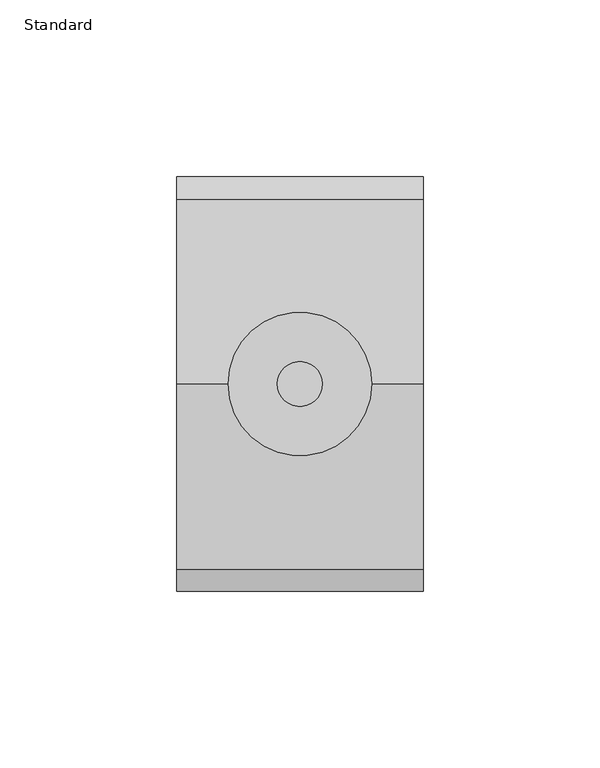
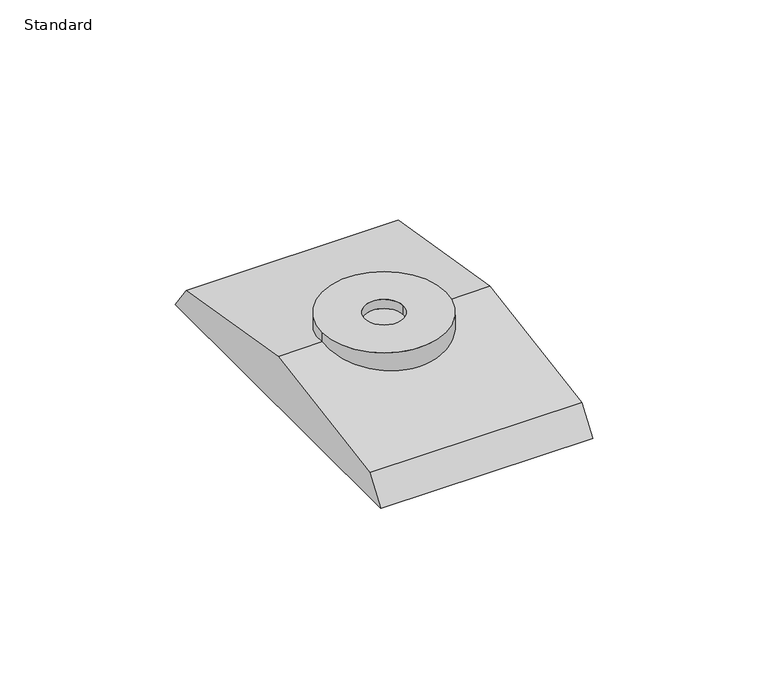
"""IFC4 building model written with IfcOpenShell, lengths in millimetres: alarm geometry, Standard."""

import ifcopenshell
import ifcopenshell.guid

model = None  # the IFC model being written
_history = None  # IfcOwnerHistory: only IFC2X3 demands one
_inside = {}  # id of a spatial element -> (the spatial element, [elements in it])
_under = {}  # id of a project, library or spatial element -> (it, [spatial elements below it])
_declared = {}  # id of a project -> (the project, [libraries it declares])
_typed = {}  # id of a type object -> (the type object, [elements of that type])
_made_of = {}  # id of a material, layer set ... -> (it, [elements and type objects made of it])


def new_model(schema):
    """Start an empty IFC model of exactly this schema.

    Asked for "IFC4X3", IfcOpenShell would pick the latest addendum, in which some entities
    have other attributes; the version numbers below select the first issue.
    IFC2X3 requires an IfcOwnerHistory on every rooted entity: one is made here for all.
    """
    global model, _history
    if schema == "IFC4X3":
        model = ifcopenshell.file(schema_version=(4, 3, 0, 0))
    else:
        model = ifcopenshell.file(schema=schema)
    _inside.clear()
    _under.clear()
    _declared.clear()
    _typed.clear()
    _made_of.clear()
    _history = None
    if model.schema == "IFC2X3":
        org = make("IfcOrganization", Name="unknown")
        user = make(
            "IfcPersonAndOrganization",
            ThePerson=make("IfcPerson", FamilyName="unknown"),
            TheOrganization=org,
        )
        app = make(
            "IfcApplication",
            ApplicationDeveloper=org,
            Version="unknown",
            ApplicationFullName="unknown",
            ApplicationIdentifier="unknown",
        )
        _history = make(
            "IfcOwnerHistory",
            OwningUser=user,
            OwningApplication=app,
            ChangeAction="ADDED",
            CreationDate=0,
        )
    return model


def make(cls, **values):
    """One entity of the class cls with the attributes given. An attribute that is None is left unset."""
    return model.create_entity(
        cls, **{name: value for name, value in values.items() if value is not None}
    )


def rooted(cls, **values):
    """An entity with a GlobalId (a new one), such as an element, a storey or a relation."""
    return make(cls, GlobalId=ifcopenshell.guid.new(), OwnerHistory=_history, **values)


def si_unit(unit_type, name, prefix=None):
    """IfcSIUnit, for example si_unit("LENGTHUNIT", "METRE", prefix="MILLI")."""
    return make("IfcSIUnit", UnitType=unit_type, Prefix=prefix, Name=name)


def assignment(units):
    """IfcUnitAssignment: the units of a project."""
    return None if units is None else make("IfcUnitAssignment", Units=units)


def point(xyz):
    """IfcCartesianPoint."""
    return None if xyz is None else make("IfcCartesianPoint", Coordinates=xyz)


def direction(xyz):
    """IfcDirection."""
    return None if xyz is None else make("IfcDirection", DirectionRatios=xyz)


def frame(location, z_axis=None, x_axis=None):
    """IfcAxis2Placement3D, a coordinate frame: its origin and axes. An axis left out is left unset."""
    return make(
        "IfcAxis2Placement3D",
        Location=point(location),
        Axis=direction(z_axis),
        RefDirection=direction(x_axis),
    )


def origin():
    """The frame at (0, 0, 0) with its axes left unset."""
    return frame((0.0, 0.0, 0.0))


def place(relative_to, where):
    """IfcLocalPlacement: puts the frame where relative to a parent placement (None: the world)."""
    return make(
        "IfcLocalPlacement", PlacementRelTo=relative_to, RelativePlacement=where
    )


def context(
    kind, dimensions, precision=None, world=None, true_north=None, identifier=None
):
    """IfcGeometricRepresentationContext, for example the 3D "Model" context."""
    return make(
        "IfcGeometricRepresentationContext",
        ContextIdentifier=identifier,
        ContextType=kind,
        CoordinateSpaceDimension=dimensions,
        Precision=precision,
        WorldCoordinateSystem=world,
        TrueNorth=true_north,
    )


def project(units=None, contexts=None):
    """IfcProject with its units and contexts."""
    return rooted(
        "IfcProject",
        Name="project",
        RepresentationContexts=contexts,
        UnitsInContext=assignment(units),
    )


def spatial(cls, under=None, at=None, **own):
    """A site, building, storey or space (cls), placed at a placement, below another one or the project."""
    s = rooted(cls, ObjectPlacement=at, **own)
    if under is not None:
        _under.setdefault(under.id(), (under, []))[1].append(s)
    return s


def polyline(points):
    """IfcPolyline through the points."""
    return make("IfcPolyline", Points=[point(p) for p in points])


def circle_curve(where, radius):
    """IfcCircle in the frame where."""
    return make("IfcCircle", Position=where, Radius=radius)


def ellipse_curve(where, semi_axis1, semi_axis2):
    """IfcEllipse in the frame where."""
    return make(
        "IfcEllipse", Position=where, SemiAxis1=semi_axis1, SemiAxis2=semi_axis2
    )


def shape(context_of_items, identifier, shape_type, items):
    """IfcShapeRepresentation: the items that make up one representation, for example the "Body"."""
    return make(
        "IfcShapeRepresentation",
        ContextOfItems=context_of_items,
        RepresentationIdentifier=identifier,
        RepresentationType=shape_type,
        Items=items,
    )


def source(mapping_origin, context_of_items, identifier, shape_type, items):
    """IfcRepresentationMap: a shape defined once, which mapped items show again and again."""
    return make(
        "IfcRepresentationMap",
        MappingOrigin=mapping_origin,
        MappedRepresentation=shape(context_of_items, identifier, shape_type, items),
    )


def transform(
    local_origin,
    x_axis=None,
    y_axis=None,
    z_axis=None,
    scale=None,
    scale2=None,
    scale3=None,
    uniform=True,
):
    """IfcCartesianTransformationOperator3D, or its non-uniform kind. x_axis, y_axis, z_axis: its Axis1, 2, 3."""
    if uniform:
        return make(
            "IfcCartesianTransformationOperator3D",
            Axis1=direction(x_axis),
            Axis2=direction(y_axis),
            LocalOrigin=point(local_origin),
            Scale=scale,
            Axis3=direction(z_axis),
        )
    return make(
        "IfcCartesianTransformationOperator3DnonUniform",
        Axis1=direction(x_axis),
        Axis2=direction(y_axis),
        LocalOrigin=point(local_origin),
        Scale=scale,
        Axis3=direction(z_axis),
        Scale2=scale2,
        Scale3=scale3,
    )


def mapped(mapping_source, mapping_target):
    """IfcMappedItem: shows the shape of a source again, moved by a transform."""
    return make(
        "IfcMappedItem", MappingSource=mapping_source, MappingTarget=mapping_target
    )


def made_of(thing, what):
    """Note that an element or type object is made of a material, layer set ...; save() writes the relation."""
    if what is not None:
        _made_of.setdefault(what.id(), (what, []))[1].append(thing)
    return thing


def element(
    cls,
    number,
    at=None,
    inside=None,
    cuts=None,
    type_object=None,
    material=None,
    context=None,
    identifier="Body",
    shape_type=None,
    held_by="IfcProductDefinitionShape",
    body=None,
    shapes=None,
    **own,
):
    """One element of the class cls, such as IfcWall. Its Tag is "e" and its number.

    at: its placement. inside: the storey or other place that contains it. cuts: it is an
    opening in that element (IfcRelVoidsElement). A single representation is given by context,
    identifier, shape_type and body (its items); several are given by shapes. held_by: the class
    of the entity that holds the representations. save() writes the other relations.
    """
    e = rooted(cls, Tag="e%d" % number, ObjectPlacement=at, **own)
    if body is not None:
        shapes = [shape(context, identifier, shape_type, body)]
    if shapes is not None:
        e.Representation = make(held_by, Representations=shapes)
    if inside is not None:
        _inside.setdefault(inside.id(), (inside, []))[1].append(e)
    if cuts is not None:
        rooted(
            "IfcRelVoidsElement", RelatingBuildingElement=cuts, RelatedOpeningElement=e
        )
    if type_object is not None:
        _typed.setdefault(type_object.id(), (type_object, []))[1].append(e)
    return made_of(e, material)


def aggregate(whole, parts):
    """IfcRelAggregates: a whole, such as a stair, and the parts it consists of."""
    return rooted("IfcRelAggregates", RelatingObject=whole, RelatedObjects=parts)


def save(model, path):
    """Write the relations noted so far, then the file.

    IfcRelAggregates (storeys below a building ...), IfcRelContainedInSpatialStructure (elements
    in a storey), IfcRelDefinesByType, IfcRelAssociatesMaterial and IfcRelDeclares: one each for
    every whole, place, type object, material and project.
    """
    for whole, parts in _under.values():
        aggregate(whole, parts)
    for where, things in _inside.values():
        rooted(
            "IfcRelContainedInSpatialStructure",
            RelatedElements=things,
            RelatingStructure=where,
        )
    for kind, things in _typed.values():
        rooted("IfcRelDefinesByType", RelatedObjects=things, RelatingType=kind)
    for what, things in _made_of.values():
        rooted("IfcRelAssociatesMaterial", RelatedObjects=things, RelatingMaterial=what)
    for by, libraries in _declared.values():
        rooted("IfcRelDeclares", RelatingContext=by, RelatedDefinitions=libraries)
    model.write(path)


def plane_surface(at):
    """IfcPlane: the flat surface through the origin of the frame at, square to its z axis."""
    return make("IfcPlane", Position=at)


def cylinder_surface(at, radius):
    """IfcCylindricalSurface: all points at the distance radius from the z axis of the frame at."""
    return make("IfcCylindricalSurface", Position=at, Radius=radius)


def revolved_surface(curve, axis_point, axis_direction):
    """IfcSurfaceOfRevolution: the curve turned about the line through axis_point along axis_direction."""
    return make(
        "IfcSurfaceOfRevolution",
        SweptCurve=make("IfcArbitraryOpenProfileDef", ProfileType="CURVE", Curve=curve),
        AxisPosition=make("IfcAxis1Placement", Location=point(axis_point), Axis=direction(axis_direction)),
    )


def advanced_brep(points, edges, surfaces, faces):
    """IfcAdvancedBrep: a solid bounded by faces that lie on surfaces and meet in shared edges.

    An edge is (start, end): straight between two places in points (the first is 0);
    or (start, end, curve); or (start, end, curve, False) where it runs against its curve.
    A face is (place in surfaces, loops), or (place, loops, False) where it looks against
    its surface's normal. A loop lists edges by number (the first is 1), with a minus sign
    where the edge is run from its end to its start. The first loop is the outer one.
    """
    corners = [point(p) for p in points]
    vertices = [make("IfcVertexPoint", VertexGeometry=c) for c in corners]
    made = []
    for start, end, *more in edges:
        made.append(
            make(
                "IfcEdgeCurve",
                EdgeStart=vertices[start],
                EdgeEnd=vertices[end],
                EdgeGeometry=more[0] if more else make("IfcPolyline", Points=[corners[start], corners[end]]),
                SameSense=more[1] if len(more) > 1 else True,
            )
        )
    hull = []
    for where, loops, *sense in faces:
        bounds = []
        for j, loop in enumerate(loops):
            ring = [make("IfcOrientedEdge", EdgeElement=made[abs(k) - 1], Orientation=k > 0) for k in loop]
            bounds.append(
                make(
                    "IfcFaceOuterBound" if j == 0 else "IfcFaceBound",
                    Bound=make("IfcEdgeLoop", EdgeList=ring),
                    Orientation=True,
                )
            )
        hull.append(make("IfcAdvancedFace", Bounds=bounds, FaceSurface=surfaces[where], SameSense=sense[0] if sense else True))
    return make("IfcAdvancedBrep", Outer=make("IfcClosedShell", CfsFaces=hull))


def standard_53907fd9(model_context):
    return source(origin(), model_context, "Body", "AdvancedBrep", [
        advanced_brep(
        [(-20.32, 0.0, 20.6375), (20.32, 0.0, 20.6375), (6.35, 0.0, 20.6375), (-6.35, 0.0, 20.6375), (-20.32, 0.0, 17.4625), (20.32, 0.0, 17.4625), (-6.35, 0.0, 17.4625), (6.35, 0.0, 17.4625), (34.925, -58.7375, 0.0), (34.925, 58.7375, 0.0), (34.925, 52.3875, 8.73125), (34.925, 0.0, 17.4625), (34.925, -52.3875, 8.73125), (-34.925, -58.7375, 0.0), (-34.925, -52.3875, 8.73125), (-34.925, 0.0, 17.4625), (-34.925, 52.3875, 8.73125), (-34.925, 58.7375, 0.0)],
        [
            (0, 1, circle_curve(frame((0.0, 0.0, 20.6375), z_axis=(0.0, 0.0, 1.0), x_axis=(1.0, 0.0, 0.0)), 20.32)),
            (1, 0, circle_curve(frame((0.0, 0.0, 20.6375), z_axis=(0.0, 0.0, 1.0), x_axis=(1.0, 0.0, 0.0)), 20.32)),
            (2, 3, circle_curve(frame((0.0, 0.0, 20.6375), z_axis=(0.0, 0.0, -1.0), x_axis=(1.0, 0.0, 0.0)), 6.35)),
            (3, 2, circle_curve(frame((0.0, 0.0, 20.6375), z_axis=(0.0, 0.0, -1.0), x_axis=(1.0, 0.0, 0.0)), 6.35)),
            (0, 4),
            (4, 5, ellipse_curve(frame((0.0, 0.0, 17.4625), z_axis=(0.0, -0.1643989873053665, 0.9863939238321422), x_axis=(0.0, 0.9863939238321421, 0.16439898730536665)), 20.6002891, 20.32)),
            (5, 1),
            (5, 4, ellipse_curve(frame((0.0, 0.0, 17.4625), z_axis=(0.0, 0.16439898730535055, 0.9863939238321449), x_axis=(0.0, -0.9863939238321449, 0.16439898730535019)), 20.6002891, 20.32)),
            (6, 7, circle_curve(frame((0.0, 0.0, 17.4625), z_axis=(0.0, 0.0, 1.0), x_axis=(1.0, 0.0, 0.0)), 6.35)),
            (7, 6, circle_curve(frame((0.0, 0.0, 17.4625), z_axis=(0.0, 0.0, 1.0), x_axis=(1.0, 0.0, 0.0)), 6.35)),
            (6, 3),
            (2, 7),
            (8, 9),
            (9, 10),
            (10, 11),
            (11, 12),
            (12, 8),
            (13, 14),
            (14, 15),
            (15, 16),
            (16, 17),
            (17, 13),
            (8, 13),
            (17, 9),
            (16, 10),
            (15, 4),
            (5, 11),
            (14, 12),
        ],
        [
            plane_surface(frame((20.32, 0.0, 20.6375), z_axis=(0.0, 0.0, 1.0), x_axis=(0.0, 1.0, 0.0))),
            cylinder_surface(frame((0.0, 0.0, 8.73125), z_axis=(0.0, 0.0, 1.0), x_axis=(1.0, 0.0, 0.0)), 20.32),
            plane_surface(frame((6.35, 0.0, 17.4625), z_axis=(0.0, 0.0, 1.0), x_axis=(0.0, -1.0, 0.0))),
            revolved_surface(polyline([(6.35, 0.0, 20.6375), (6.35, 0.0, 17.4625)]), (0.0, 0.0, 17.4625), (0.0, 0.0, 1.0)),
            plane_surface(frame((34.925, 58.7375, 0.0), z_axis=(1.0, 0.0, 0.0), x_axis=(0.0, 1.0, 0.0))),
            plane_surface(frame((-34.925, 58.7375, 0.0), z_axis=(-1.0, 0.0, 0.0), x_axis=(0.0, -1.0, 0.0))),
            plane_surface(frame((34.925, -58.7375, 0.0), z_axis=(0.0, 0.0, -1.0), x_axis=(-1.0, 0.0, 0.0))),
            plane_surface(frame((34.925, 58.7375, 0.0), z_axis=(0.0, 0.8087360843031817, 0.5881716976750556), x_axis=(-1.0, 0.0, 0.0))),
            plane_surface(frame((34.925, 52.3875, 8.73125), z_axis=(0.0, 0.16439898730535055, 0.9863939238321449), x_axis=(-1.0, 0.0, 0.0))),
            plane_surface(frame((34.925, 0.0, 17.4625), z_axis=(0.0, -0.1643989873053665, 0.9863939238321422), x_axis=(-1.0, 0.0, 0.0))),
            plane_surface(frame((34.925, -52.3875, 8.73125), z_axis=(0.0, -0.8087360843031294, 0.5881716976751277), x_axis=(-1.0, 0.0, 0.0))),
        ],
        [
            (0, [[1, 2], [3, 4]]),
            (1, [[-1, 5, 6, 7]]),
            (1, [[-2, -7, 8, -5]]),
            (2, [[9, 10]]),
            (3, [[-9, 11, -3, 12]]),
            (3, [[-10, -12, -4, -11]]),
            (4, [[13, 14, 15, 16, 17]]),
            (5, [[18, 19, 20, 21, 22]]),
            (6, [[-13, 23, -22, 24]]),
            (7, [[-14, -24, -21, 25]]),
            (8, [[-15, -25, -20, 26, -8, 27]]),
            (9, [[-16, -27, -6, -26, -19, 28]]),
            (10, [[-17, -28, -18, -23]]),
        ],
    ),
    ])


if __name__ == "__main__":
    model = new_model("IFC4")
    model_context = context("Model", 3, world=origin())
    ifc_project = project(units=[si_unit("LENGTHUNIT", "METRE", prefix="MILLI")], contexts=[model_context])
    site = spatial("IfcSite", under=ifc_project)
    building = spatial("IfcBuilding", under=site)
    placement = place(None, origin())
    standard_shape = standard_53907fd9(model_context)
    element("IfcAlarm", 1, ObjectType="Standard", at=placement, inside=building, context=model_context, shape_type="MappedRepresentation", body=[
        mapped(standard_shape, transform((0.0, 0.0, 0.0), x_axis=(1.0, 0.0, 0.0), y_axis=(0.0, 1.0, 0.0), z_axis=(0.0, 0.0, 1.0))),
    ])
    save(model, "model.ifc")
